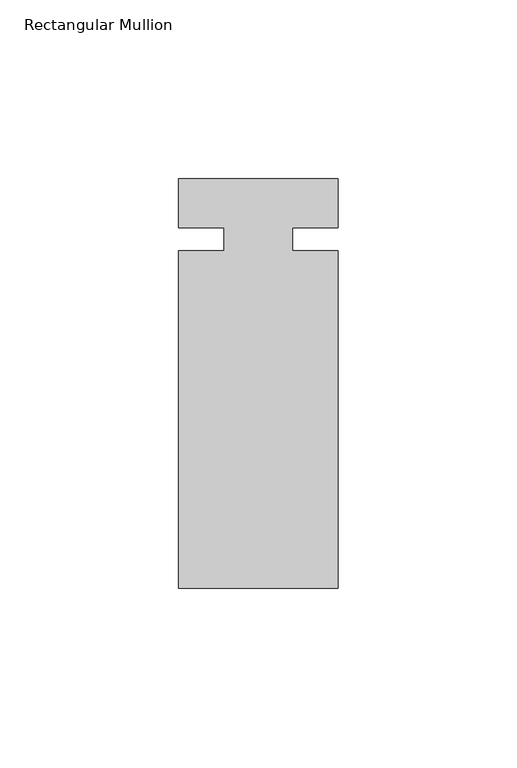
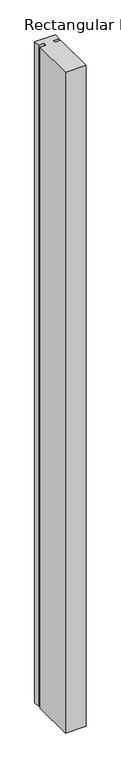
"""IFC4 building model written with IfcOpenShell, lengths in millimetres: member geometry, Rectangular Mullion."""

from ifc_helpers import new_model, si_unit, frame, origin, place, context, project, spatial, polyline, outline, extrude, source, transform, mapped, element, save


def rectangular_mullion_062c033b(model_context):
    return source(origin(), model_context, "Body", "SweptSolid", [
        extrude(outline(polyline([(22.225, 16.8532346), (22.225, 3.175), (9.5232296, 3.175), (9.5232296, -3.175), (22.225, -3.175), (22.225, -97.4467654), (-22.225, -97.4467654), (-22.225, -3.175), (-9.525, -3.175), (-9.525, 3.175), (-22.225, 3.175), (-22.225, 16.8532346), (22.225, 16.8532346)])), frame((0.0, 0.0, -1506.1094027), z_axis=(0.0, 0.0, 1.0), x_axis=(1.0, 0.0, 0.0)), (0.0, 0.0, 1.0), 1506.1094027),
    ])


if __name__ == "__main__":
    model = new_model("IFC4")
    model_context = context("Model", 3, world=origin())
    ifc_project = project(units=[si_unit("LENGTHUNIT", "METRE", prefix="MILLI")], contexts=[model_context])
    site = spatial("IfcSite", under=ifc_project)
    building = spatial("IfcBuilding", under=site)
    placement = place(None, origin())
    rectangular_mullion_shape = rectangular_mullion_062c033b(model_context)
    element("IfcMember", 1, ObjectType="Rectangular Mullion", at=placement, inside=building, context=model_context, shape_type="MappedRepresentation", body=[
        mapped(rectangular_mullion_shape, transform((0.0, 0.0, 0.0), x_axis=(1.0, 0.0, 0.0), y_axis=(0.0, 1.0, 0.0), z_axis=(0.0, 0.0, 1.0))),
    ])
    save(model, "model.ifc")
